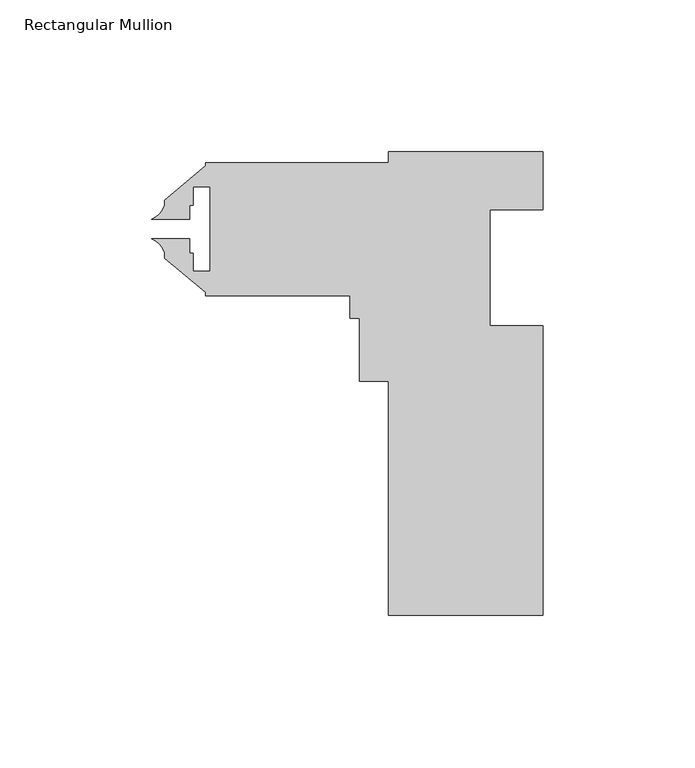
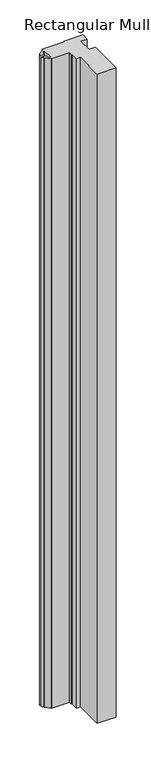
"""IFC4 building model written with IfcOpenShell, lengths in millimetres: member geometry, Rectangular Mullion."""

from ifc_helpers import new_model, si_unit, point, frame, frame_2d, origin, place, context, project, spatial, polyline, circle_curve, trimmed, segment, composite_curve, outline, extrude, source, transform, mapped, element, save


def rectangular_mullion_e5de8e68(model_context):
    return source(origin(), model_context, "Body", "SweptSolid", [
        extrude(outline(composite_curve([segment(polyline([(-86.1203646, -3.4864269), (-25.795366, -3.499577), (-25.7946019, 0.0056229), (25.0053968, -0.0054509), (25.0053968, -19.0516465), (7.5512446, -19.0516465), (7.5429393, -57.1516459), (24.9929389, -57.1554498), (24.9721755, -152.4054472), (-25.8278232, -152.3943735), (-25.811041, -75.4069753), (-35.3360407, -75.404899), (-35.3315448, -54.7800995), (-38.5065447, -54.7794074), (-38.5049113, -47.2864075), (-86.1299102, -47.2760259), (-86.1296777, -46.2095192), (-99.589215, -34.9106256), (-99.588847, -33.2224914)]), True, "CONTINUOUS"), segment(trimmed(circle_curve(frame_2d((-106.9653703, -35.6110398)), 7.7535965), [point((-99.588847, -33.2224914))], [point((-103.7856346, -28.5394388))], True, "CARTESIAN"), True, "CONTINUOUS"), segment(polyline([(-103.7856346, -28.5394388), (-91.2930565, -28.5421621), (-91.2940948, -33.3048998), (-90.1654648, -33.3051458), (-90.166766, -39.2741457), (-84.5533661, -39.2753694), (-84.5473088, -11.48777), (-90.1607086, -11.4865464), (-90.1620098, -17.4555462), (-91.2906397, -17.4553002), (-91.291678, -22.2180446), (-103.7842708, -22.2153214)]), True, "CONTINUOUS"), segment(trimmed(circle_curve(frame_2d((-106.9609083, -15.1423282)), 7.7535965), [point((-103.7842708, -22.2153214))], [point((-99.5854271, -17.5340923))], True, "CARTESIAN"), True, "CONTINUOUS"), segment(polyline([(-99.5854271, -17.5340923), (-99.5850591, -15.8459581), (-86.1205971, -4.5529336), (-86.1203646, -3.4864269)]), True, "CONTINUOUS")], self_intersect=False)), frame((0.0, 0.0, -1828.8), z_axis=(0.0, 0.0, 1.0), x_axis=(1.0, 0.0, 0.0)), (0.0, 0.0, 1.0), 1828.8),
    ])


if __name__ == "__main__":
    model = new_model("IFC4")
    model_context = context("Model", 3, world=origin())
    ifc_project = project(units=[si_unit("LENGTHUNIT", "METRE", prefix="MILLI")], contexts=[model_context])
    site = spatial("IfcSite", under=ifc_project)
    building = spatial("IfcBuilding", under=site)
    placement = place(None, origin())
    rectangular_mullion_shape = rectangular_mullion_e5de8e68(model_context)
    element("IfcMember", 1, ObjectType="Rectangular Mullion", at=placement, inside=building, context=model_context, shape_type="MappedRepresentation", body=[
        mapped(rectangular_mullion_shape, transform((0.0, 0.0, 0.0), x_axis=(1.0, 0.0, 0.0), y_axis=(0.0, 1.0, 0.0), z_axis=(0.0, 0.0, 1.0))),
    ])
    save(model, "model.ifc")
